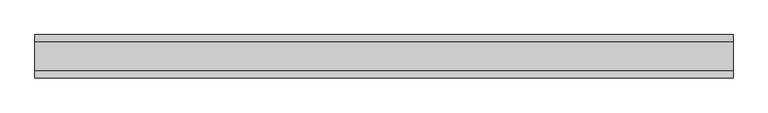
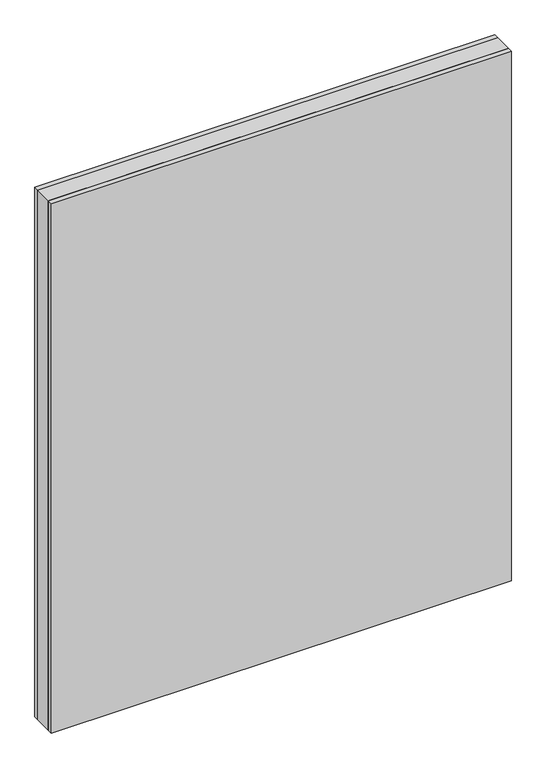
"""IFC4 building model written with IfcOpenShell, lengths in millimetres: plate geometry."""

import ifcopenshell
import ifcopenshell.guid

model = None  # the IFC model being written
_history = None  # IfcOwnerHistory: only IFC2X3 demands one
_inside = {}  # id of a spatial element -> (the spatial element, [elements in it])
_under = {}  # id of a project, library or spatial element -> (it, [spatial elements below it])
_declared = {}  # id of a project -> (the project, [libraries it declares])
_typed = {}  # id of a type object -> (the type object, [elements of that type])
_made_of = {}  # id of a material, layer set ... -> (it, [elements and type objects made of it])


def new_model(schema):
    """Start an empty IFC model of exactly this schema.

    Asked for "IFC4X3", IfcOpenShell would pick the latest addendum, in which some entities
    have other attributes; the version numbers below select the first issue.
    IFC2X3 requires an IfcOwnerHistory on every rooted entity: one is made here for all.
    """
    global model, _history
    if schema == "IFC4X3":
        model = ifcopenshell.file(schema_version=(4, 3, 0, 0))
    else:
        model = ifcopenshell.file(schema=schema)
    _inside.clear()
    _under.clear()
    _declared.clear()
    _typed.clear()
    _made_of.clear()
    _history = None
    if model.schema == "IFC2X3":
        org = make("IfcOrganization", Name="unknown")
        user = make(
            "IfcPersonAndOrganization",
            ThePerson=make("IfcPerson", FamilyName="unknown"),
            TheOrganization=org,
        )
        app = make(
            "IfcApplication",
            ApplicationDeveloper=org,
            Version="unknown",
            ApplicationFullName="unknown",
            ApplicationIdentifier="unknown",
        )
        _history = make(
            "IfcOwnerHistory",
            OwningUser=user,
            OwningApplication=app,
            ChangeAction="ADDED",
            CreationDate=0,
        )
    return model


def make(cls, **values):
    """One entity of the class cls with the attributes given. An attribute that is None is left unset."""
    return model.create_entity(
        cls, **{name: value for name, value in values.items() if value is not None}
    )


def rooted(cls, **values):
    """An entity with a GlobalId (a new one), such as an element, a storey or a relation."""
    return make(cls, GlobalId=ifcopenshell.guid.new(), OwnerHistory=_history, **values)


def si_unit(unit_type, name, prefix=None):
    """IfcSIUnit, for example si_unit("LENGTHUNIT", "METRE", prefix="MILLI")."""
    return make("IfcSIUnit", UnitType=unit_type, Prefix=prefix, Name=name)


def assignment(units):
    """IfcUnitAssignment: the units of a project."""
    return None if units is None else make("IfcUnitAssignment", Units=units)


def point(xyz):
    """IfcCartesianPoint."""
    return None if xyz is None else make("IfcCartesianPoint", Coordinates=xyz)


def direction(xyz):
    """IfcDirection."""
    return None if xyz is None else make("IfcDirection", DirectionRatios=xyz)


def frame(location, z_axis=None, x_axis=None):
    """IfcAxis2Placement3D, a coordinate frame: its origin and axes. An axis left out is left unset."""
    return make(
        "IfcAxis2Placement3D",
        Location=point(location),
        Axis=direction(z_axis),
        RefDirection=direction(x_axis),
    )


def origin():
    """The frame at (0, 0, 0) with its axes left unset."""
    return frame((0.0, 0.0, 0.0))


def origin_with_axes():
    """The frame at (0, 0, 0) with the z axis (0, 0, 1) and the x axis (1, 0, 0) written out."""
    return frame((0.0, 0.0, 0.0), z_axis=(0.0, 0.0, 1.0), x_axis=(1.0, 0.0, 0.0))


def place(relative_to, where):
    """IfcLocalPlacement: puts the frame where relative to a parent placement (None: the world)."""
    return make(
        "IfcLocalPlacement", PlacementRelTo=relative_to, RelativePlacement=where
    )


def context(
    kind, dimensions, precision=None, world=None, true_north=None, identifier=None
):
    """IfcGeometricRepresentationContext, for example the 3D "Model" context."""
    return make(
        "IfcGeometricRepresentationContext",
        ContextIdentifier=identifier,
        ContextType=kind,
        CoordinateSpaceDimension=dimensions,
        Precision=precision,
        WorldCoordinateSystem=world,
        TrueNorth=true_north,
    )


def project(units=None, contexts=None):
    """IfcProject with its units and contexts."""
    return rooted(
        "IfcProject",
        Name="project",
        RepresentationContexts=contexts,
        UnitsInContext=assignment(units),
    )


def spatial(cls, under=None, at=None, **own):
    """A site, building, storey or space (cls), placed at a placement, below another one or the project."""
    s = rooted(cls, ObjectPlacement=at, **own)
    if under is not None:
        _under.setdefault(under.id(), (under, []))[1].append(s)
    return s


def polyline(points):
    """IfcPolyline through the points."""
    return make("IfcPolyline", Points=[point(p) for p in points])


def outline(outer, holes=None, kind="AREA"):
    """IfcArbitraryClosedProfileDef: a profile drawn as a closed curve; with holes, ...WithVoids."""
    if holes is None:
        return make("IfcArbitraryClosedProfileDef", ProfileType=kind, OuterCurve=outer)
    return make(
        "IfcArbitraryProfileDefWithVoids",
        ProfileType=kind,
        OuterCurve=outer,
        InnerCurves=holes,
    )


def extrude(swept, where, along, depth):
    """IfcExtrudedAreaSolid: the profile swept, set in the frame where, extruded along a direction by depth."""
    return make(
        "IfcExtrudedAreaSolid",
        SweptArea=swept,
        Position=where,
        ExtrudedDirection=direction(along),
        Depth=depth,
    )


def shape(context_of_items, identifier, shape_type, items):
    """IfcShapeRepresentation: the items that make up one representation, for example the "Body"."""
    return make(
        "IfcShapeRepresentation",
        ContextOfItems=context_of_items,
        RepresentationIdentifier=identifier,
        RepresentationType=shape_type,
        Items=items,
    )


def source(mapping_origin, context_of_items, identifier, shape_type, items):
    """IfcRepresentationMap: a shape defined once, which mapped items show again and again."""
    return make(
        "IfcRepresentationMap",
        MappingOrigin=mapping_origin,
        MappedRepresentation=shape(context_of_items, identifier, shape_type, items),
    )


def transform(
    local_origin,
    x_axis=None,
    y_axis=None,
    z_axis=None,
    scale=None,
    scale2=None,
    scale3=None,
    uniform=True,
):
    """IfcCartesianTransformationOperator3D, or its non-uniform kind. x_axis, y_axis, z_axis: its Axis1, 2, 3."""
    if uniform:
        return make(
            "IfcCartesianTransformationOperator3D",
            Axis1=direction(x_axis),
            Axis2=direction(y_axis),
            LocalOrigin=point(local_origin),
            Scale=scale,
            Axis3=direction(z_axis),
        )
    return make(
        "IfcCartesianTransformationOperator3DnonUniform",
        Axis1=direction(x_axis),
        Axis2=direction(y_axis),
        LocalOrigin=point(local_origin),
        Scale=scale,
        Axis3=direction(z_axis),
        Scale2=scale2,
        Scale3=scale3,
    )


def mapped(mapping_source, mapping_target):
    """IfcMappedItem: shows the shape of a source again, moved by a transform."""
    return make(
        "IfcMappedItem", MappingSource=mapping_source, MappingTarget=mapping_target
    )


def made_of(thing, what):
    """Note that an element or type object is made of a material, layer set ...; save() writes the relation."""
    if what is not None:
        _made_of.setdefault(what.id(), (what, []))[1].append(thing)
    return thing


def element(
    cls,
    number,
    at=None,
    inside=None,
    cuts=None,
    type_object=None,
    material=None,
    context=None,
    identifier="Body",
    shape_type=None,
    held_by="IfcProductDefinitionShape",
    body=None,
    shapes=None,
    **own,
):
    """One element of the class cls, such as IfcWall. Its Tag is "e" and its number.

    at: its placement. inside: the storey or other place that contains it. cuts: it is an
    opening in that element (IfcRelVoidsElement). A single representation is given by context,
    identifier, shape_type and body (its items); several are given by shapes. held_by: the class
    of the entity that holds the representations. save() writes the other relations.
    """
    e = rooted(cls, Tag="e%d" % number, ObjectPlacement=at, **own)
    if body is not None:
        shapes = [shape(context, identifier, shape_type, body)]
    if shapes is not None:
        e.Representation = make(held_by, Representations=shapes)
    if inside is not None:
        _inside.setdefault(inside.id(), (inside, []))[1].append(e)
    if cuts is not None:
        rooted(
            "IfcRelVoidsElement", RelatingBuildingElement=cuts, RelatedOpeningElement=e
        )
    if type_object is not None:
        _typed.setdefault(type_object.id(), (type_object, []))[1].append(e)
    return made_of(e, material)


def aggregate(whole, parts):
    """IfcRelAggregates: a whole, such as a stair, and the parts it consists of."""
    return rooted("IfcRelAggregates", RelatingObject=whole, RelatedObjects=parts)


def save(model, path):
    """Write the relations noted so far, then the file.

    IfcRelAggregates (storeys below a building ...), IfcRelContainedInSpatialStructure (elements
    in a storey), IfcRelDefinesByType, IfcRelAssociatesMaterial and IfcRelDeclares: one each for
    every whole, place, type object, material and project.
    """
    for whole, parts in _under.values():
        aggregate(whole, parts)
    for where, things in _inside.values():
        rooted(
            "IfcRelContainedInSpatialStructure",
            RelatedElements=things,
            RelatingStructure=where,
        )
    for kind, things in _typed.values():
        rooted("IfcRelDefinesByType", RelatedObjects=things, RelatingType=kind)
    for what, things in _made_of.values():
        rooted("IfcRelAssociatesMaterial", RelatedObjects=things, RelatingMaterial=what)
    for by, libraries in _declared.values():
        rooted("IfcRelDeclares", RelatingContext=by, RelatedDefinitions=libraries)
    model.write(path)


def plate_c3f8eeca(model_context):
    return source(origin(), model_context, "Body", "SweptSolid", [
        extrude(outline(polyline([(602.1875001, 24.2), (602.1875001, -24.2), (-602.1875001, -24.2), (-602.1875001, 24.2), (602.1875001, 24.2)])), origin_with_axes(), (0.0, 0.0, 1.0), 1464.75),
        extrude(outline(polyline([(602.1875001, 37.2), (602.1875001, 24.2), (-602.1875001, 24.2), (-602.1875001, 37.2), (602.1875001, 37.2)])), origin_with_axes(), (0.0, 0.0, 1.0), 1464.75),
        extrude(outline(polyline([(-602.1875001, -37.2), (-602.1875001, -24.2), (602.1875001, -24.2), (602.1875001, -37.2), (-602.1875001, -37.2)])), origin_with_axes(), (0.0, 0.0, 1.0), 1464.75),
    ])


if __name__ == "__main__":
    model = new_model("IFC4")
    model_context = context("Model", 3, world=origin())
    ifc_project = project(units=[si_unit("LENGTHUNIT", "METRE", prefix="MILLI")], contexts=[model_context])
    site = spatial("IfcSite", under=ifc_project)
    building = spatial("IfcBuilding", under=site)
    placement = place(None, origin())
    plate_shape = plate_c3f8eeca(model_context)
    element("IfcPlate", 1, at=placement, inside=building, context=model_context, shape_type="MappedRepresentation", body=[
        mapped(plate_shape, transform((0.0, 0.0, 0.0), x_axis=(1.0, 0.0, 0.0), y_axis=(0.0, 1.0, 0.0), z_axis=(0.0, 0.0, 1.0))),
    ])
    save(model, "model.ifc")
